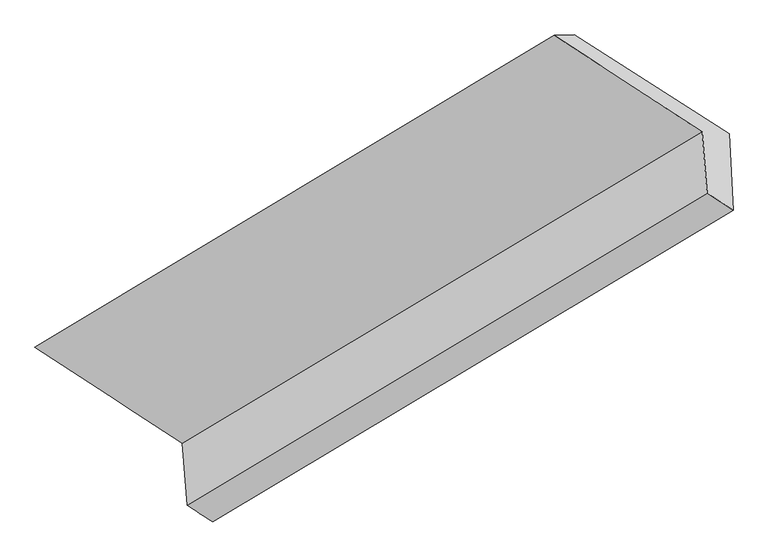
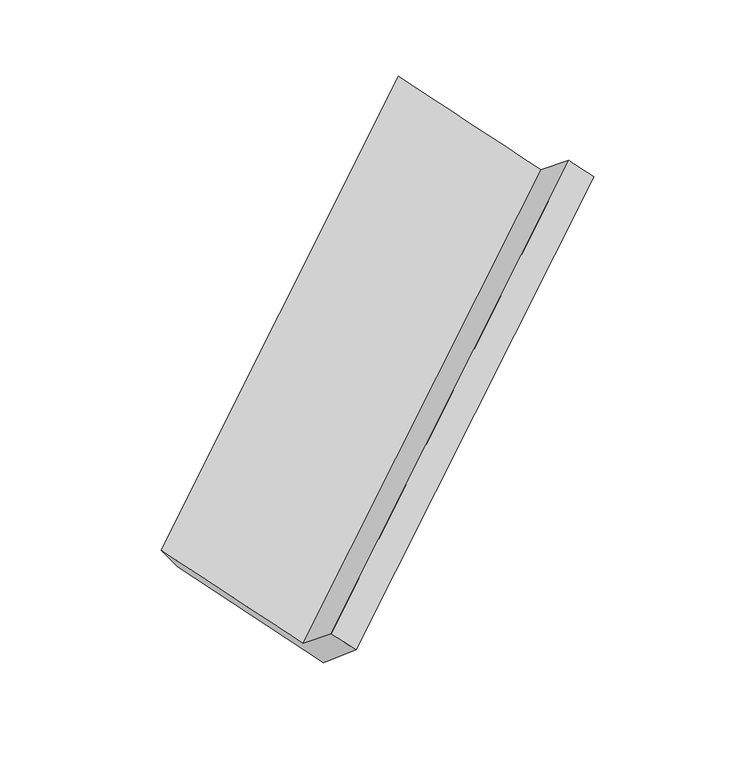
"""IFC4 building model written with IfcOpenShell, lengths in millimetres: proxy geometry."""

from ifc_helpers import new_model, si_unit, frame, origin, place, context, project, spatial, source, transform, mapped, element, save
from ifc_brep_helpers import plane_surface, spline_surface, advanced_brep


def generic_models_037ca7d9(model_context):
    return source(origin(), model_context, "Body", "AdvancedBrep", [
        advanced_brep(
        [(-4487.4656626, -2691.7136764, 352.0430657), (-4452.3058371, -3138.113013, 712.3040908), (-689.7656008, -880.036443, 3197.4348322), (-724.6183535, -437.5357905, 2840.3201915), (-5552.9787704, -1995.1737838, 1319.1146515), (-1794.2289329, 260.7301385, 3809.930403), (-5390.264962, -2014.0721407, 1090.4181043), (-1651.5658123, 263.7786558, 3591.5353417), (-4291.3795387, -2723.7511329, 85.0208466), (-529.4399989, -450.3810578, 2557.2901564), (-4266.6355781, -3259.4880964, 543.787692), (-501.5821149, -1002.8868701, 3026.8450558)],
        [
            (0, 1),
            (1, 2),
            (2, 3),
            (3, 0),
            (4, 0),
            (3, 5),
            (5, 4),
            (6, 4),
            (5, 7),
            (7, 6),
            (8, 6),
            (7, 9),
            (9, 8),
            (10, 8),
            (9, 11),
            (11, 10),
            (1, 10),
            (11, 2),
        ],
        [
            plane_surface(frame((-4469.8857499, -2914.9133447, 532.1735783), z_axis=(-0.6634666240884762, 0.43755457896841166, 0.6069250605671318), x_axis=(0.06117791436002949, -0.7767325358632314, 0.6268523195506505))),
            spline_surface(1, 1, [[(-5552.9787704, -1995.1737838, 1319.1146515), (-1794.2289329, 260.7301385, 3809.930403)], [(-4487.4656626, -2691.7136764, 352.0430657), (-724.6183535, -437.5357905, 2840.3201915)]], [2, 2], [2, 2], [0.0, 1.0], [0.0, 1.0]),
            spline_surface(1, 1, [[(-5390.264962, -2014.0721407, 1090.4181043), (-1651.5658123, 263.7786558, 3591.5353417)], [(-5552.9787704, -1995.1737838, 1319.1146515), (-1794.2289329, 260.7301385, 3809.930403)]], [2, 2], [2, 2], [0.0, 1.0], [0.0, 1.0]),
            spline_surface(1, 1, [[(-4291.3795387, -2723.7511329, 85.0208466), (-529.4399989, -450.3810578, 2557.2901564)], [(-5390.264962, -2014.0721407, 1090.4181043), (-1651.5658123, 263.7786558, 3591.5353417)]], [2, 2], [2, 2], [0.0, 1.0], [0.0, 1.0]),
            spline_surface(1, 1, [[(-4266.6355781, -3259.4880964, 543.787692), (-501.5821149, -1002.8868701, 3026.8450558)], [(-4291.3795387, -2723.7511329, 85.0208466), (-529.4399989, -450.3810578, 2557.2901564)]], [2, 2], [2, 2], [0.0, 1.0], [0.0, 1.0]),
            spline_surface(1, 1, [[(-4452.3058371, -3138.113013, 712.3040908), (-689.7656008, -880.036443, 3197.4348322)], [(-4266.6355781, -3259.4880964, 543.787692), (-501.5821149, -1002.8868701, 3026.8450558)]], [2, 2], [2, 2], [0.0, 1.0], [0.0, 1.0]),
            plane_surface(frame((-981.8668022, -374.3885612, 3170.5593301), z_axis=(0.7425659866950409, 0.45508274537731025, 0.4914218658784638), x_axis=(-0.6659936054094002, 0.42386138594529915, 0.613835517918537))),
            plane_surface(frame((-4740.1717248, -2637.0519739, 683.7814085), z_axis=(-0.7429870586700527, -0.45480767266233996, -0.4910399286578331), x_axis=(-0.0611779143600292, 0.7767325358632327, -0.626852319550649))),
        ],
        [
            (0, [[1, 2, 3, 4]]),
            (1, [[5, -4, 6, 7]]),
            (2, [[8, -7, 9, 10]]),
            (3, [[11, -10, 12, 13]]),
            (4, [[14, -13, 15, 16]]),
            (5, [[17, -16, 18, -2]]),
            (6, [[-12, -9, -6, -3, -18, -15]]),
            (7, [[-1, -5, -8, -11, -14, -17]]),
        ],
    ),
    ])


if __name__ == "__main__":
    model = new_model("IFC4")
    model_context = context("Model", 3, world=origin())
    ifc_project = project(units=[si_unit("LENGTHUNIT", "METRE", prefix="MILLI")], contexts=[model_context])
    site = spatial("IfcSite", under=ifc_project)
    building = spatial("IfcBuilding", under=site)
    placement = place(None, origin())
    generic_models_shape = generic_models_037ca7d9(model_context)
    element("IfcBuildingElementProxy", 1, Name="Generic Models", at=placement, inside=building, context=model_context, shape_type="MappedRepresentation", body=[
        mapped(generic_models_shape, transform((0.0, 0.0, 0.0), x_axis=(1.0, 0.0, 0.0), y_axis=(0.0, 1.0, 0.0), z_axis=(0.0, 0.0, 1.0))),
    ])
    save(model, "model.ifc")
